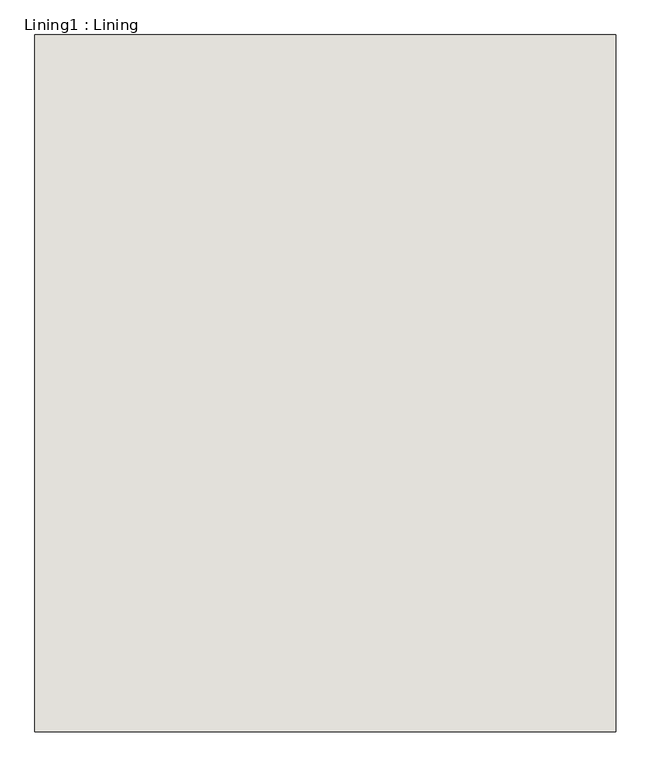
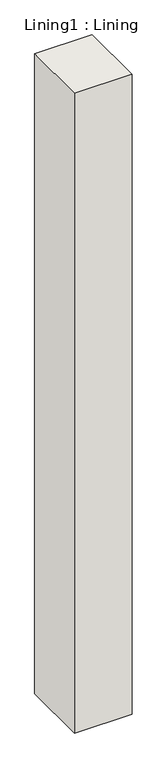
"""IFC4 building model written with IfcOpenShell, lengths in millimetres: wall geometry, Lining1 : Lining."""

from ifc_helpers import new_model, si_unit, frame, origin, place, context, project, spatial, polyline, outline, extrude, source, transform, mapped, element, save


def lining1_lining_ac36dd46(model_context):
    return source(origin(), model_context, "Body", "SweptSolid", [
        extrude(outline(polyline([(41401.7156484, -17826.3487481), (41401.7156484, -19926.3487481), (39651.7156484, -19926.3487481), (39651.7156484, -17826.3487481), (41401.7156484, -17826.3487481)])), frame((0.0, 0.0, 8.1281994), z_axis=(0.0, 0.0, 1.0), x_axis=(1.0, 0.0, 0.0)), (0.0, 0.0, 1.0), 20604.3949806),
    ])


if __name__ == "__main__":
    model = new_model("IFC4")
    model_context = context("Model", 3, world=origin())
    ifc_project = project(units=[si_unit("LENGTHUNIT", "METRE", prefix="MILLI")], contexts=[model_context])
    site = spatial("IfcSite", under=ifc_project)
    building = spatial("IfcBuilding", under=site)
    placement = place(None, origin())
    lining1_lining_shape = lining1_lining_ac36dd46(model_context)
    element("IfcWall", 1, ObjectType="Lining1 : Lining", at=placement, inside=building, context=model_context, shape_type="MappedRepresentation", body=[
        mapped(lining1_lining_shape, transform((0.0, 0.0, 0.0), x_axis=(1.0, 0.0, 0.0), y_axis=(0.0, 1.0, 0.0), z_axis=(0.0, 0.0, 1.0))),
    ])
    save(model, "model.ifc")
